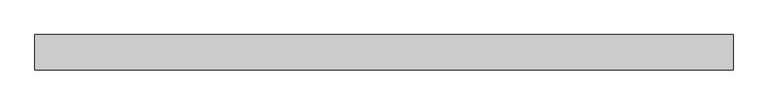
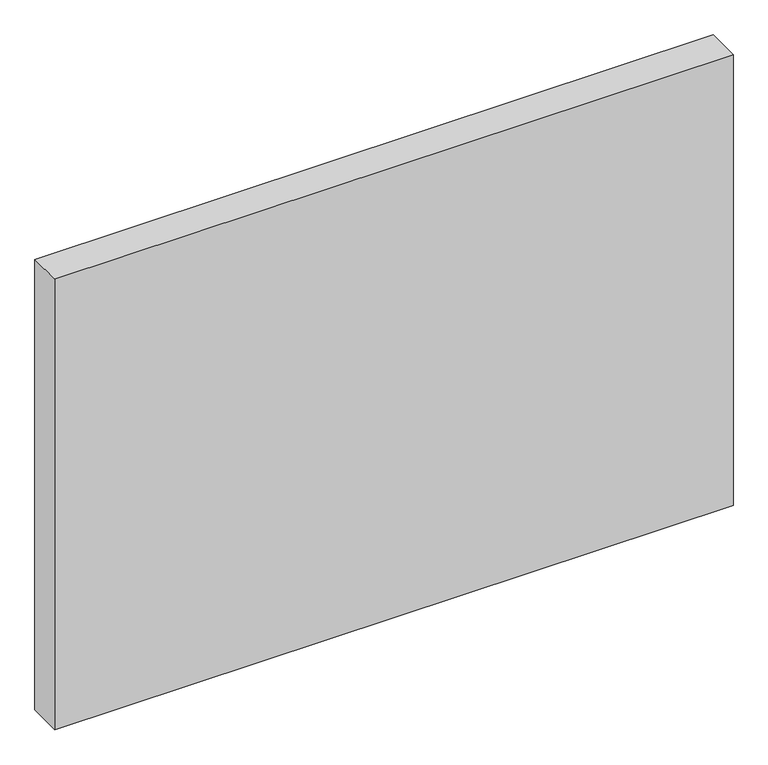
"""IFC4 building model written with IfcOpenShell, lengths in millimetres: proxy geometry."""

from ifc_helpers import new_model, si_unit, origin, origin_with_axes, place, context, project, spatial, polyline, outline, extrude, source, transform, mapped, element, save


def generic_models_79c7f8f6(model_context):
    return source(origin(), model_context, "Body", "SweptSolid", [
        extrude(outline(polyline([(1731.0, 0.0), (1731.0, -175.0), (-1731.0, -175.0), (-1731.0, 0.0), (1731.0, 0.0)])), origin_with_axes(), (0.0, 0.0, 1.0), 2432.9),
    ])


if __name__ == "__main__":
    model = new_model("IFC4")
    model_context = context("Model", 3, world=origin())
    ifc_project = project(units=[si_unit("LENGTHUNIT", "METRE", prefix="MILLI")], contexts=[model_context])
    site = spatial("IfcSite", under=ifc_project)
    building = spatial("IfcBuilding", under=site)
    placement = place(None, origin())
    generic_models_shape = generic_models_79c7f8f6(model_context)
    element("IfcBuildingElementProxy", 1, Name="Generic Models", at=placement, inside=building, context=model_context, shape_type="MappedRepresentation", body=[
        mapped(generic_models_shape, transform((0.0, 0.0, 0.0), x_axis=(1.0, 0.0, 0.0), y_axis=(0.0, 1.0, 0.0), z_axis=(0.0, 0.0, 1.0))),
    ])
    save(model, "model.ifc")
